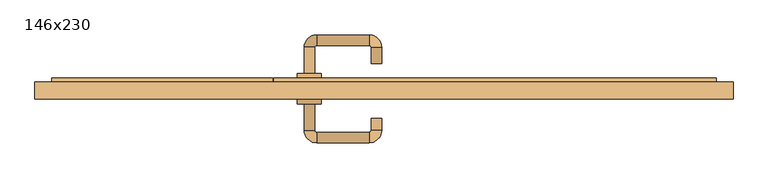
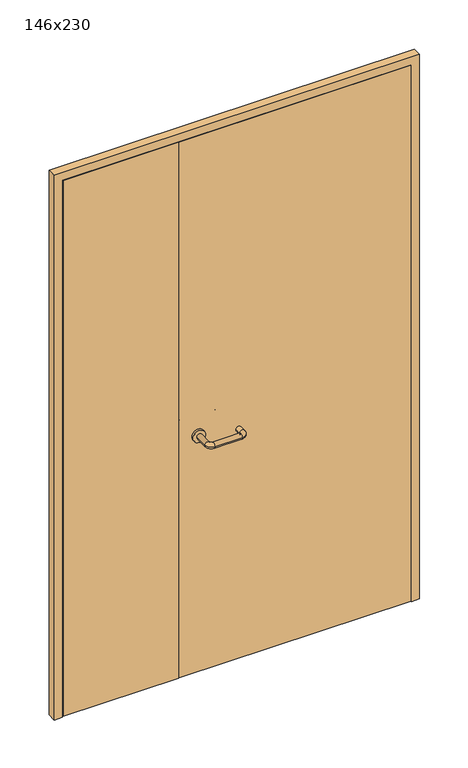
"""IFC4 building model written with IfcOpenShell, lengths in millimetres: door geometry, 146x230."""

from ifc_helpers import new_model, si_unit, point, frame, frame_2d, origin, place, context, project, spatial, polyline, circle_curve, ellipse_curve, trimmed, segment, composite_curve, outline, extrude, source, transform, mapped, element, save
from ifc_brep_helpers import plane_surface, cylinder_surface, revolved_surface, advanced_brep


def door_146x230_103b523b(model_context):
    return source(origin(), model_context, "Body", "SolidModel", [
        extrude(outline(polyline([(2300.0, -730.0), (0.0, -730.0), (0.0, -698.0), (2268.0, -698.0), (2268.0, 698.0), (0.0, 698.0), (0.0, 730.0), (2300.0, 730.0), (2300.0, -730.0)])), frame((0.0, -30.0, 0.0), z_axis=(0.0, 1.0, 0.0), x_axis=(0.0, 0.0, 1.0)), (0.0, 0.0, 1.0), 36.4654067),
        advanced_brep(
        [(-167.0, 24.1125817, 1003.0), (-145.0, 24.1125817, 1003.0), (-167.0, 78.9968061, 1003.0), (-145.0, 78.9968061, 1003.0), (-141.0, 104.9968061, 1003.0), (-141.0, 82.9968061, 1003.0), (-31.0, 104.9968061, 1003.0), (-31.0, 82.9968061, 1003.0), (-5.0, 78.9968061, 1003.0), (-27.0, 78.9968061, 1003.0), (-5.0, 45.0, 1003.0), (-27.0, 45.0, 1003.0)],
        [
            (0, 1, circle_curve(frame((-156.0, 24.1125817, 1003.0), z_axis=(0.0, -1.0, 0.0), x_axis=(1.0, 0.0, 0.0)), 11.0)),
            (1, 0, circle_curve(frame((-156.0, 24.1125817, 1003.0), z_axis=(0.0, -1.0, 0.0), x_axis=(1.0, 0.0, 0.0)), 11.0)),
            (0, 2),
            (2, 3, circle_curve(frame((-156.0, 78.9968061, 1003.0), z_axis=(0.0, -1.0, 0.0), x_axis=(1.0, 0.0, 0.0)), 11.0)),
            (3, 1),
            (4, 5, circle_curve(frame((-141.0, 93.9968061, 1003.0), z_axis=(-1.0, 0.0, 0.0), x_axis=(0.0, -1.0, 0.0)), 11.0)),
            (5, 3, circle_curve(frame((-141.0, 78.9968061, 1003.0), z_axis=(0.0, 0.0, 1.0), x_axis=(-1.0, 0.0, 0.0)), 4.0)),
            (2, 4, circle_curve(frame((-141.0, 78.9968061, 1003.0), z_axis=(0.0, 0.0, -1.0), x_axis=(-1.0, 0.0, 0.0)), 26.0)),
            (4, 6),
            (6, 7, circle_curve(frame((-31.0, 93.9968061, 1003.0), z_axis=(-1.0, 0.0, 0.0), x_axis=(0.0, -1.0, 0.0)), 11.0)),
            (7, 5),
            (8, 9, circle_curve(frame((-16.0, 78.9968061, 1003.0), z_axis=(0.0, 1.0, 0.0), x_axis=(-1.0, 0.0, 0.0)), 11.0)),
            (9, 7, circle_curve(frame((-31.0, 78.9968061, 1003.0), z_axis=(0.0, 0.0, 1.0), x_axis=(0.0, 1.0, 0.0)), 4.0)),
            (6, 8, circle_curve(frame((-31.0, 78.9968061, 1003.0), z_axis=(0.0, 0.0, -1.0), x_axis=(0.0, 1.0, 0.0)), 26.0)),
            (8, 10),
            (10, 11, circle_curve(frame((-16.0, 45.0, 1003.0), z_axis=(0.0, 1.0, 0.0), x_axis=(-1.0, 0.0, 0.0)), 11.0)),
            (11, 9),
            (10, 11, circle_curve(frame((-16.0, 45.0, 1003.0), z_axis=(0.0, -1.0, 0.0), x_axis=(-1.0, 0.0, 0.0)), 11.0)),
            (3, 2, circle_curve(frame((-156.0, 78.9968061, 1003.0), z_axis=(0.0, -1.0, 0.0), x_axis=(1.0, 0.0, 0.0)), 11.0)),
            (5, 4, circle_curve(frame((-141.0, 93.9968061, 1003.0), z_axis=(-1.0, 0.0, 0.0), x_axis=(0.0, -1.0, 0.0)), 11.0)),
            (7, 6, circle_curve(frame((-31.0, 93.9968061, 1003.0), z_axis=(-1.0, 0.0, 0.0), x_axis=(0.0, -1.0, 0.0)), 11.0)),
            (9, 8, circle_curve(frame((-16.0, 78.9968061, 1003.0), z_axis=(0.0, 1.0, 0.0), x_axis=(-1.0, 0.0, 0.0)), 11.0)),
        ],
        [
            plane_surface(frame((-167.0, 24.1125817, 1003.0), z_axis=(0.0, -1.0, 0.0), x_axis=(0.0, 0.0, -1.0))),
            cylinder_surface(frame((-156.0, 24.1125817, 1003.0), z_axis=(0.0, -1.0, 0.0), x_axis=(1.0, 0.0, 0.0)), 11.0),
            revolved_surface(trimmed(ellipse_curve(frame((-156.0, 78.9968061, 1003.0), z_axis=(0.0, 1.0, 0.0), x_axis=(1.0, 0.0, 0.0)), 11.0, 11.0), [point((-145.0, 78.9968061, 1003.0))], [point((-167.0, 78.9968061, 1003.0))], True, "CARTESIAN"), (-141.0, 78.9968061, 1003.0), (0.0, 0.0, 1.0)),
            cylinder_surface(frame((-141.0, 93.9968061, 1003.0), z_axis=(-1.0, 0.0, 0.0), x_axis=(0.0, -1.0, 0.0)), 11.0),
            revolved_surface(trimmed(ellipse_curve(frame((-31.0, 93.9968061, 1003.0), z_axis=(1.0, 0.0, 0.0), x_axis=(0.0, -1.0, 0.0)), 11.0, 11.0), [point((-31.0, 82.9968061, 1003.0))], [point((-31.0, 104.9968061, 1003.0))], True, "CARTESIAN"), (-31.0, 78.9968061, 1003.0), (0.0, 0.0, 1.0)),
            cylinder_surface(frame((-16.0, 78.9968061, 1003.0), z_axis=(0.0, 1.0, 0.0), x_axis=(-1.0, 0.0, 0.0)), 11.0),
            plane_surface(frame((-27.0, 45.0, 1003.0), z_axis=(0.0, -1.0, 0.0), x_axis=(0.0, 0.0, 1.0))),
            revolved_surface(trimmed(ellipse_curve(frame((-156.0, 78.9968061, 1003.0), z_axis=(0.0, 1.0, 0.0), x_axis=(1.0, 0.0, 0.0)), 11.0, 11.0), [point((-167.0, 78.9968061, 1003.0))], [point((-145.0, 78.9968061, 1003.0))], True, "CARTESIAN"), (-141.0, 78.9968061, 1003.0), (0.0, 0.0, 1.0)),
            revolved_surface(trimmed(ellipse_curve(frame((-31.0, 93.9968061, 1003.0), z_axis=(1.0, 0.0, 0.0), x_axis=(0.0, -1.0, 0.0)), 11.0, 11.0), [point((-31.0, 104.9968061, 1003.0))], [point((-31.0, 82.9968061, 1003.0))], True, "CARTESIAN"), (-31.0, 78.9968061, 1003.0), (0.0, 0.0, 1.0)),
        ],
        [
            (0, [[1, 2]]),
            (1, [[3, 4, 5, -1]]),
            (2, [[6, 7, -4, 8]]),
            (3, [[9, 10, 11, -6]]),
            (4, [[12, 13, -10, 14]]),
            (5, [[15, 16, 17, -12]]),
            (6, [[18, -16]]),
            (1, [[-5, 19, -3, -2]]),
            (7, [[20, -8, -19, -7]]),
            (3, [[-11, 21, -9, -20]]),
            (8, [[22, -14, -21, -13]]),
            (5, [[-17, -18, -15, -22]]),
        ],
    ),
        extrude(outline(polyline([(-232.99898, 14.0), (-232.99898, -30.0), (-695.0, -30.0), (-695.0, 14.0), (-232.99898, 14.0)])), frame((0.0, 0.0, 3.0), z_axis=(0.0, 0.0, 1.0), x_axis=(1.0, 0.0, 0.0)), (0.0, 0.0, 1.0), 2262.0),
        extrude(outline(polyline([(695.0, 14.0), (695.0, -30.0), (-231.0, -30.0), (-231.0, 14.0), (695.0, 14.0)])), frame((0.0, 0.0, 3.0), z_axis=(0.0, 0.0, 1.0), x_axis=(1.0, 0.0, 0.0)), (0.0, 0.0, 1.0), 2262.0),
        extrude(outline(composite_curve([segment(trimmed(circle_curve(frame_2d((1003.0, -156.0)), 25.0), [point((1003.0, -181.0))], [point((1003.0, -131.0))], False, "CARTESIAN"), True, "CONTINUOUS"), segment(trimmed(circle_curve(frame_2d((1003.0, -156.0)), 25.0), [point((1003.0, -131.0))], [point((1003.0, -181.0))], False, "CARTESIAN"), True, "CONTINUOUS")], self_intersect=False)), frame((0.0, 14.0, 0.0), z_axis=(0.0, 1.0, 0.0), x_axis=(0.0, 0.0, 1.0)), (0.0, 0.0, 1.0), 10.1125817),
        advanced_brep(
        [(-145.0, -40.0, 1003.0), (-167.0, -40.0, 1003.0), (-145.0, -95.0, 1003.0), (-167.0, -95.0, 1003.0), (-141.0, -99.0, 1003.0), (-141.0, -121.0, 1003.0), (-31.0, -99.0, 1003.0), (-31.0, -121.0, 1003.0), (-27.0, -95.0, 1003.0), (-5.0, -95.0, 1003.0), (-27.0, -70.0, 1003.0), (-5.0, -70.0, 1003.0)],
        [
            (0, 1, circle_curve(frame((-156.0, -40.0, 1003.0), z_axis=(0.0, 1.0, 0.0), x_axis=(-1.0, 0.0, 0.0)), 11.0)),
            (1, 0, circle_curve(frame((-156.0, -40.0, 1003.0), z_axis=(0.0, 1.0, 0.0), x_axis=(-1.0, 0.0, 0.0)), 11.0)),
            (0, 2),
            (2, 3, circle_curve(frame((-156.0, -95.0, 1003.0), z_axis=(0.0, 1.0, 0.0), x_axis=(-1.0, 0.0, 0.0)), 11.0)),
            (3, 1),
            (4, 5, circle_curve(frame((-141.0, -110.0, 1003.0), z_axis=(-1.0, 0.0, 0.0), x_axis=(0.0, -1.0, 0.0)), 11.0)),
            (5, 3, circle_curve(frame((-141.0, -95.0, 1003.0), z_axis=(0.0, 0.0, -1.0), x_axis=(-1.0, 0.0, 0.0)), 26.0)),
            (2, 4, circle_curve(frame((-141.0, -95.0, 1003.0), z_axis=(0.0, 0.0, 1.0), x_axis=(-1.0, 0.0, 0.0)), 4.0)),
            (4, 6),
            (6, 7, circle_curve(frame((-31.0, -110.0, 1003.0), z_axis=(-1.0, 0.0, 0.0), x_axis=(0.0, -1.0, 0.0)), 11.0)),
            (7, 5),
            (8, 9, circle_curve(frame((-16.0, -95.0, 1003.0), z_axis=(0.0, -1.0, 0.0), x_axis=(1.0, 0.0, 0.0)), 11.0)),
            (9, 7, circle_curve(frame((-31.0, -95.0, 1003.0), z_axis=(0.0, 0.0, -1.0), x_axis=(0.0, -1.0, 0.0)), 26.0)),
            (6, 8, circle_curve(frame((-31.0, -95.0, 1003.0), z_axis=(0.0, 0.0, 1.0), x_axis=(0.0, -1.0, 0.0)), 4.0)),
            (8, 10),
            (10, 11, circle_curve(frame((-16.0, -70.0, 1003.0), z_axis=(0.0, -1.0, 0.0), x_axis=(1.0, 0.0, 0.0)), 11.0)),
            (11, 9),
            (10, 11, circle_curve(frame((-16.0, -70.0, 1003.0), z_axis=(0.0, 1.0, 0.0), x_axis=(1.0, 0.0, 0.0)), 11.0)),
            (3, 2, circle_curve(frame((-156.0, -95.0, 1003.0), z_axis=(0.0, 1.0, 0.0), x_axis=(-1.0, 0.0, 0.0)), 11.0)),
            (5, 4, circle_curve(frame((-141.0, -110.0, 1003.0), z_axis=(-1.0, 0.0, 0.0), x_axis=(0.0, -1.0, 0.0)), 11.0)),
            (7, 6, circle_curve(frame((-31.0, -110.0, 1003.0), z_axis=(-1.0, 0.0, 0.0), x_axis=(0.0, -1.0, 0.0)), 11.0)),
            (9, 8, circle_curve(frame((-16.0, -95.0, 1003.0), z_axis=(0.0, -1.0, 0.0), x_axis=(1.0, 0.0, 0.0)), 11.0)),
        ],
        [
            plane_surface(frame((-167.0, -40.0, 1003.0), z_axis=(0.0, 1.0, 0.0), x_axis=(0.0, 0.0, 1.0))),
            cylinder_surface(frame((-156.0, -40.0, 1003.0), z_axis=(0.0, 1.0, 0.0), x_axis=(-1.0, 0.0, 0.0)), 11.0),
            revolved_surface(trimmed(ellipse_curve(frame((-156.0, -95.0, 1003.0), z_axis=(0.0, -1.0, 0.0), x_axis=(-1.0, 0.0, 0.0)), 11.0, 11.0), [point((-167.0, -95.0, 1003.0))], [point((-145.0, -95.0, 1003.0))], True, "CARTESIAN"), (-141.0, -95.0, 1003.0), (0.0, 0.0, -1.0)),
            cylinder_surface(frame((-141.0, -110.0, 1003.0), z_axis=(-1.0, 0.0, 0.0), x_axis=(0.0, -1.0, 0.0)), 11.0),
            revolved_surface(trimmed(ellipse_curve(frame((-31.0, -110.0, 1003.0), z_axis=(1.0, 0.0, 0.0), x_axis=(0.0, -1.0, 0.0)), 11.0, 11.0), [point((-31.0, -121.0, 1003.0))], [point((-31.0, -99.0, 1003.0))], True, "CARTESIAN"), (-31.0, -95.0, 1003.0), (0.0, 0.0, -1.0)),
            cylinder_surface(frame((-16.0, -95.0, 1003.0), z_axis=(0.0, -1.0, 0.0), x_axis=(1.0, 0.0, 0.0)), 11.0),
            plane_surface(frame((-27.0, -70.0, 1003.0), z_axis=(0.0, 1.0, 0.0), x_axis=(0.0, 0.0, -1.0))),
            revolved_surface(trimmed(ellipse_curve(frame((-156.0, -95.0, 1003.0), z_axis=(0.0, -1.0, 0.0), x_axis=(-1.0, 0.0, 0.0)), 11.0, 11.0), [point((-145.0, -95.0, 1003.0))], [point((-167.0, -95.0, 1003.0))], True, "CARTESIAN"), (-141.0, -95.0, 1003.0), (0.0, 0.0, -1.0)),
            revolved_surface(trimmed(ellipse_curve(frame((-31.0, -110.0, 1003.0), z_axis=(1.0, 0.0, 0.0), x_axis=(0.0, -1.0, 0.0)), 11.0, 11.0), [point((-31.0, -99.0, 1003.0))], [point((-31.0, -121.0, 1003.0))], True, "CARTESIAN"), (-31.0, -95.0, 1003.0), (0.0, 0.0, -1.0)),
        ],
        [
            (0, [[1, 2]]),
            (1, [[3, 4, 5, -1]]),
            (2, [[6, 7, -4, 8]]),
            (3, [[9, 10, 11, -6]]),
            (4, [[12, 13, -10, 14]]),
            (5, [[15, 16, 17, -12]]),
            (6, [[18, -16]]),
            (1, [[-5, 19, -3, -2]]),
            (7, [[20, -8, -19, -7]]),
            (3, [[-11, 21, -9, -20]]),
            (8, [[22, -14, -21, -13]]),
            (5, [[-17, -18, -15, -22]]),
        ],
    ),
        extrude(outline(composite_curve([segment(trimmed(circle_curve(frame_2d((1003.0, -156.0)), 25.0), [point((1003.0, -131.0))], [point((1003.0, -181.0))], False, "CARTESIAN"), True, "CONTINUOUS"), segment(trimmed(circle_curve(frame_2d((1003.0, -156.0)), 25.0), [point((1003.0, -181.0))], [point((1003.0, -131.0))], False, "CARTESIAN"), True, "CONTINUOUS")], self_intersect=False)), frame((0.0, -40.0, 0.0), z_axis=(0.0, 1.0, 0.0), x_axis=(0.0, 0.0, 1.0)), (0.0, 0.0, 1.0), 10.0),
    ])


if __name__ == "__main__":
    model = new_model("IFC4")
    model_context = context("Model", 3, world=origin())
    ifc_project = project(units=[si_unit("LENGTHUNIT", "METRE", prefix="MILLI")], contexts=[model_context])
    site = spatial("IfcSite", under=ifc_project)
    building = spatial("IfcBuilding", under=site)
    placement = place(None, origin())
    door_146x230_shape = door_146x230_103b523b(model_context)
    element("IfcDoor", 1, ObjectType="146x230", at=placement, inside=building, context=model_context, shape_type="MappedRepresentation", body=[
        mapped(door_146x230_shape, transform((0.0, 0.0, 0.0), x_axis=(1.0, 0.0, 0.0), y_axis=(0.0, 1.0, 0.0), z_axis=(0.0, 0.0, 1.0))),
    ])
    save(model, "model.ifc")
